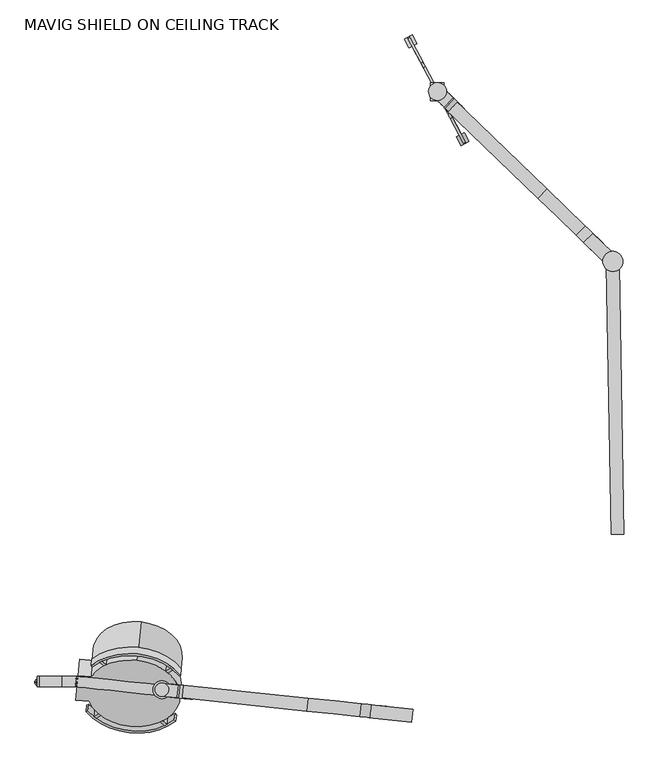
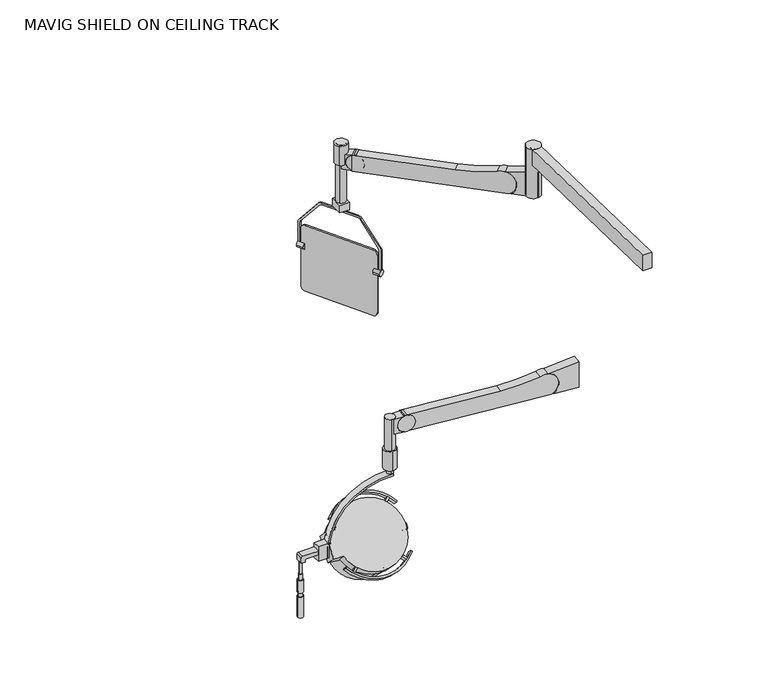
"""IFC4 building model written with IfcOpenShell, lengths in millimetres: proxy geometry, MAVIG SHIELD ON CEILING TRACK."""

from ifc_helpers import new_model, si_unit, point, frame, frame_2d, origin, place, context, project, spatial, polyline, circle_curve, ellipse_curve, trimmed, segment, composite_curve, outline, extrude, source, transform, mapped, element, save
from ifc_brep_helpers import plane_surface, cylinder_surface, revolved_surface, advanced_brep


def mavig_shield_on_ceiling_track_4b2de52b(model_context):
    return source(origin(), model_context, "Body", "SolidModel", [
        advanced_brep(
        [(-1305.6702452, -813.0394482, 1924.8121858), (-1287.8350902, -643.3492828, 2095.4370521), (-1303.2106931, -789.6383728, 2071.9070769), (-1305.4358693, -810.8095105, 1927.0544067), (-1288.0694661, -645.5792206, 2093.1948312), (-1303.0127539, -787.7551075, 2070.0134381)],
        [
            (0, 1, circle_curve(frame((-1296.7526677, -728.1943655, 2010.124619), z_axis=(-0.07391278520356967, -0.703233176253404, 0.7071067811865475), x_axis=(0.07391278520356882, 0.7032331762534039, 0.7071067811865477)), 120.65)),
            (1, 2, circle_curve(frame((-1291.6310542, -679.465468, 1850.9185502), z_axis=(0.994521895368273, -0.1045284632676576, 0.0), x_axis=(-0.10452846326765822, -0.994521895368273, 0.0)), 247.2004974)),
            (2, 0, circle_curve(frame((-1280.111102, -569.8604443, 1961.127309), z_axis=(0.9945218953682734, -0.10452846326765301, 0.0), x_axis=(0.0, 0.0, 1.0000000000000002)), 247.2004974)),
            (1, 0, circle_curve(frame((-1296.7526677, -728.1943655, 2010.124619), z_axis=(-0.07391278520356967, -0.703233176253404, 0.7071067811865475), x_axis=(0.07391278520356882, 0.7032331762534039, 0.7071067811865477)), 120.65)),
            (3, 4, circle_curve(frame((-1296.7526677, -728.1943655, 2010.124619), z_axis=(-0.07391278520356967, -0.703233176253404, 0.7071067811865475), x_axis=(0.07391278520356882, 0.7032331762534039, 0.7071067811865477)), 117.4790208)),
            (4, 1),
            (0, 3),
            (4, 3, circle_curve(frame((-1296.7526677, -728.1943655, 2010.124619), z_axis=(-0.07391278520356967, -0.703233176253404, 0.7071067811865475), x_axis=(0.07391278520356882, 0.7032331762534039, 0.7071067811865477)), 117.4790208)),
            (5, 4, circle_curve(frame((-1291.6310542, -679.465468, 1850.9185502), z_axis=(-0.994521895368273, 0.1045284632676576, 0.0), x_axis=(-0.10452846326765822, -0.994521895368273, 0.0)), 244.6604974)),
            (3, 5, circle_curve(frame((-1280.111102, -569.8604443, 1961.127309), z_axis=(-0.9945218953682734, 0.10452846326765301, 0.0), x_axis=(0.0, 0.0, 1.0000000000000002)), 244.6604974)),
        ],
        [
            revolved_surface(trimmed(ellipse_curve(frame((-1291.6310542, -679.465468, 1850.9185502), z_axis=(-0.994521895368273, 0.1045284632676576, 0.0), x_axis=(-0.10452846326765822, -0.994521895368273, 0.0)), 247.2004974, 247.2004974), [point((-1303.2106931, -789.6383728, 2071.9070769))], [point((-1287.8350902, -643.3492828, 2095.4370521))], True, "CARTESIAN"), (-1298.4359791, -744.2100033, 2026.2284753), (0.07391278520356967, 0.703233176253404, -0.7071067811865475)),
            revolved_surface(trimmed(ellipse_curve(frame((-1291.6310542, -679.465468, 1850.9185502), z_axis=(-0.9945218953682728, 0.10452846326765822, 0.0), x_axis=(-0.10452846326765881, -0.9945218953682728, 0.0)), 247.2004974, 247.2004974), [point((-1303.2106931, -789.6383728, 2071.9070769))], [point((-1287.8350902, -643.3492828, 2095.4370521))], True, "CARTESIAN"), (-1298.4359791, -744.2100033, 2026.2284753), (0.07391278520356967, 0.703233176253404, -0.7071067811865475)),
            plane_surface(frame((-1296.7526677, -728.1943655, 2010.124619), z_axis=(0.07391278520356884, 0.7032331762534041, -0.7071067811865475), x_axis=(0.07391278520356882, 0.7032331762534039, 0.7071067811865477))),
            revolved_surface(trimmed(ellipse_curve(frame((-1291.6310542, -679.465468, 1850.9185502), z_axis=(0.994521895368273, -0.1045284632676576, 0.0), x_axis=(-0.10452846326765822, -0.994521895368273, 0.0)), 244.6604974, 244.6604974), [point((-1288.0694661, -645.5792206, 2093.1948312))], [point((-1303.0127539, -787.7551075, 2070.0134381))], True, "CARTESIAN"), (-1298.4359791, -744.2100033, 2026.2284753), (0.07391278520356967, 0.703233176253404, -0.7071067811865475)),
            revolved_surface(trimmed(ellipse_curve(frame((-1291.6310542, -679.465468, 1850.9185502), z_axis=(0.9945218953682728, -0.10452846326765822, 0.0), x_axis=(-0.10452846326765881, -0.9945218953682728, 0.0)), 244.6604974, 244.6604974), [point((-1288.0694661, -645.5792206, 2093.1948312))], [point((-1303.0127539, -787.7551075, 2070.0134381))], True, "CARTESIAN"), (-1298.4359791, -744.2100033, 2026.2284753), (0.07391278520356967, 0.703233176253404, -0.7071067811865475)),
        ],
        [
            (0, [[1, 2, 3]]),
            (1, [[4, -3, -2]]),
            (2, [[5, 6, -1, 7]]),
            (2, [[8, -7, -4, -6]]),
            (3, [[9, -5, 10]]),
            (4, [[-10, -8, -9]]),
        ],
    ),
        advanced_brep(
        [(-1304.1493855, -798.5694341, 2062.9268208), (-1302.2720007, -780.7073114, 2080.8873331), (-1303.2106931, -789.6383728, 2071.9070769), (-1300.8639622, -767.3107194, 2031.4959244), (-1298.9865774, -749.4485967, 2049.4564366), (-1299.9252698, -758.3796581, 2040.4761805)],
        [
            (0, 1, circle_curve(frame((-1303.2106931, -789.6383728, 2071.9070769), z_axis=(-0.07391278520356967, -0.703233176253404, 0.7071067811865475), x_axis=(0.07391278520356882, 0.7032331762534039, 0.7071067811865477)), 12.7)),
            (1, 2),
            (2, 0),
            (1, 0, circle_curve(frame((-1303.2106931, -789.6383728, 2071.9070769), z_axis=(-0.07391278520356967, -0.703233176253404, 0.7071067811865475), x_axis=(0.07391278520356882, 0.7032331762534039, 0.7071067811865477)), 12.7)),
            (3, 4, circle_curve(frame((-1299.9252698, -758.3796581, 2040.4761805), z_axis=(-0.07391278520356967, -0.703233176253404, 0.7071067811865475), x_axis=(0.07391278520356882, 0.7032331762534039, 0.7071067811865477)), 12.7)),
            (4, 1),
            (0, 3),
            (4, 3, circle_curve(frame((-1299.9252698, -758.3796581, 2040.4761805), z_axis=(-0.07391278520356967, -0.703233176253404, 0.7071067811865475), x_axis=(0.07391278520356882, 0.7032331762534039, 0.7071067811865477)), 12.7)),
            (5, 4),
            (3, 5),
        ],
        [
            plane_surface(frame((-1303.2106931, -789.6383728, 2071.9070769), z_axis=(-0.07391278520356884, -0.7032331762534041, 0.7071067811865475), x_axis=(0.07391278520356882, 0.7032331762534039, 0.7071067811865477))),
            cylinder_surface(frame((-1298.4359791, -744.2100033, 2026.2284753), z_axis=(0.07391278520356967, 0.703233176253404, -0.7071067811865475), x_axis=(0.07391278520356882, 0.7032331762534039, 0.7071067811865477)), 12.7),
            plane_surface(frame((-1299.9252698, -758.3796581, 2040.4761805), z_axis=(0.07391278520356884, 0.7032331762534041, -0.7071067811865475), x_axis=(0.07391278520356882, 0.7032331762534039, 0.7071067811865477))),
        ],
        [
            (0, [[1, 2, 3]]),
            (0, [[4, -3, -2]]),
            (1, [[5, 6, -1, 7]]),
            (1, [[8, -7, -4, -6]]),
            (2, [[9, -5, 10]]),
            (2, [[-10, -8, -9]]),
        ],
    ),
        extrude(outline(composite_curve([segment(trimmed(circle_curve(frame_2d((0.0, -107.9499999)), 107.95), [point((0.0, 0.0))], [point((0.0, -215.8999999))], False, "CARTESIAN"), True, "CONTINUOUS"), segment(trimmed(circle_curve(frame_2d((0.0, -107.9499999)), 107.95), [point((0.0, -215.8999999))], [point((0.0, 0.0))], False, "CARTESIAN"), True, "CONTINUOUS")], self_intersect=False)), frame((-1288.141506, -648.5723395, 2082.7030132), z_axis=(-0.07391278520356517, -0.7032331762534036, 0.7071067811865482), x_axis=(0.9945218953682736, -0.10452846326765139, 0.0)), (0.0, 0.0, 1.0), 5.3086505),
        advanced_brep(
        [(-1312.1282706, -874.4834555, 1986.5946438), (-1294.2931156, -704.79329, 2157.2195101), (-1303.2106931, -789.6383728, 2071.9070769), (-1305.6702452, -813.0394482, 1924.8121858), (-1287.8350902, -643.3492828, 2095.4370521), (-1303.2106931, -789.6383728, 2071.9070769)],
        [
            (0, 1, circle_curve(frame((-1303.2106931, -789.6383728, 2071.9070769), z_axis=(-0.07391278520356967, -0.703233176253404, 0.7071067811865475), x_axis=(0.07391278520356882, 0.7032331762534039, 0.7071067811865477)), 120.65)),
            (1, 2),
            (2, 0),
            (1, 0, circle_curve(frame((-1303.2106931, -789.6383728, 2071.9070769), z_axis=(-0.07391278520356967, -0.703233176253404, 0.7071067811865475), x_axis=(0.07391278520356882, 0.7032331762534039, 0.7071067811865477)), 120.65)),
            (3, 4, circle_curve(frame((-1296.7526677, -728.1943655, 2010.124619), z_axis=(-0.07391278520356967, -0.703233176253404, 0.7071067811865475), x_axis=(0.07391278520356882, 0.7032331762534039, 0.7071067811865477)), 120.65)),
            (4, 1),
            (0, 3),
            (4, 3, circle_curve(frame((-1296.7526677, -728.1943655, 2010.124619), z_axis=(-0.07391278520356967, -0.703233176253404, 0.7071067811865475), x_axis=(0.07391278520356882, 0.7032331762534039, 0.7071067811865477)), 120.65)),
            (5, 4, circle_curve(frame((-1291.6310542, -679.465468, 1850.9185502), z_axis=(-0.994521895368273, 0.1045284632676576, 0.0), x_axis=(-0.10452846326765822, -0.994521895368273, 0.0)), 247.2004974)),
            (3, 5, circle_curve(frame((-1280.111102, -569.8604443, 1961.127309), z_axis=(-0.9945218953682734, 0.10452846326765301, 0.0), x_axis=(0.0, 0.0, 1.0000000000000002)), 247.2004974)),
        ],
        [
            plane_surface(frame((-1303.2106931, -789.6383728, 2071.9070769), z_axis=(-0.07391278520356884, -0.7032331762534041, 0.7071067811865475), x_axis=(0.07391278520356882, 0.7032331762534039, 0.7071067811865477))),
            cylinder_surface(frame((-1298.4359791, -744.2100033, 2026.2284753), z_axis=(0.07391278520356967, 0.703233176253404, -0.7071067811865475), x_axis=(0.07391278520356882, 0.7032331762534039, 0.7071067811865477)), 120.65),
            revolved_surface(trimmed(ellipse_curve(frame((-1291.6310542, -679.465468, 1850.9185502), z_axis=(0.994521895368273, -0.1045284632676576, 0.0), x_axis=(-0.10452846326765822, -0.994521895368273, 0.0)), 247.2004974, 247.2004974), [point((-1287.8350902, -643.3492828, 2095.4370521))], [point((-1303.2106931, -789.6383728, 2071.9070769))], True, "CARTESIAN"), (-1298.4359791, -744.2100033, 2026.2284753), (0.07391278520356967, 0.703233176253404, -0.7071067811865475)),
            revolved_surface(trimmed(ellipse_curve(frame((-1291.6310542, -679.465468, 1850.9185502), z_axis=(0.9945218953682728, -0.10452846326765822, 0.0), x_axis=(-0.10452846326765881, -0.9945218953682728, 0.0)), 247.2004974, 247.2004974), [point((-1287.8350902, -643.3492828, 2095.4370521))], [point((-1303.2106931, -789.6383728, 2071.9070769))], True, "CARTESIAN"), (-1298.4359791, -744.2100033, 2026.2284753), (0.07391278520356967, 0.703233176253404, -0.7071067811865475)),
        ],
        [
            (0, [[1, 2, 3]]),
            (0, [[4, -3, -2]]),
            (1, [[5, 6, -1, 7]]),
            (1, [[8, -7, -4, -6]]),
            (2, [[9, -5, 10]]),
            (3, [[-10, -8, -9]]),
        ],
    ),
        advanced_brep(
        [(-1295.0465496, -714.269441, 2175.7027611), (-1313.8203971, -892.8906677, 1996.0976387), (-1286.462425, -632.596951, 2093.5803962), (-1305.2362725, -811.2181778, 1913.9752738), (-1287.8704636, -645.993543, 2080.1100121), (-1303.8282339, -797.8215858, 1927.445658), (-1294.9919085, -713.7495658, 2148.239254), (-1310.9496789, -865.5776086, 1995.5748999)],
        [
            (0, 1, circle_curve(frame((-1304.4334733, -803.5800543, 2085.9001999), z_axis=(-0.07391278520356515, -0.7032331762534036, 0.7071067811865482), x_axis=(-0.07391278520356531, -0.7032331762534051, -0.7071067811865469)), 127.0)),
            (1, 0, circle_curve(frame((-1304.4334733, -803.5800543, 2085.9001999), z_axis=(-0.07391278520356515, -0.7032331762534036, 0.7071067811865482), x_axis=(-0.07391278520356531, -0.7032331762534051, -0.7071067811865469)), 127.0)),
            (2, 3, circle_curve(frame((-1295.8493487, -721.9075644, 2003.777835), z_axis=(0.07391278520356515, 0.7032331762534036, -0.7071067811865482), x_axis=(-0.07391278520356531, -0.7032331762534051, -0.7071067811865469)), 127.0)),
            (3, 2, circle_curve(frame((-1295.8493487, -721.9075644, 2003.777835), z_axis=(0.07391278520356515, 0.7032331762534036, -0.7071067811865482), x_axis=(-0.07391278520356531, -0.7032331762534051, -0.7071067811865469)), 127.0)),
            (4, 5, circle_curve(frame((-1295.8493487, -721.9075644, 2003.777835), z_axis=(-0.0739127852035652, -0.7032331762534038, 0.7071067811865483), x_axis=(-0.07391278520356531, -0.7032331762534051, -0.7071067811865469)), 107.95)),
            (5, 4, circle_curve(frame((-1295.8493487, -721.9075644, 2003.777835), z_axis=(-0.0739127852035652, -0.7032331762534038, 0.7071067811865483), x_axis=(-0.07391278520356531, -0.7032331762534051, -0.7071067811865469)), 107.95)),
            (0, 2),
            (3, 1),
            (6, 7, circle_curve(frame((-1302.9707937, -789.6635872, 2071.9070769), z_axis=(0.0739127852035652, 0.7032331762534038, -0.7071067811865483), x_axis=(-0.07391278520356531, -0.7032331762534051, -0.7071067811865469)), 107.95)),
            (7, 6, circle_curve(frame((-1302.9707937, -789.6635872, 2071.9070769), z_axis=(0.0739127852035652, 0.7032331762534038, -0.7071067811865483), x_axis=(-0.07391278520356531, -0.7032331762534051, -0.7071067811865469)), 107.95)),
            (7, 5),
            (4, 6),
        ],
        [
            plane_surface(frame((-1313.8203971, -892.8906677, 1996.0976387), z_axis=(-0.07391278520356517, -0.7032331762534036, 0.7071067811865483), x_axis=(0.9945218953682736, -0.10452846326765138, 0.0))),
            plane_surface(frame((-1305.2362725, -811.2181778, 1913.9752738), z_axis=(0.07391278520356517, 0.7032331762534036, -0.7071067811865483), x_axis=(-0.9945218953682736, 0.10452846326765138, 0.0))),
            cylinder_surface(frame((-1295.8493487, -721.9075644, 2003.777835), z_axis=(-0.07391278520356516, -0.7032331762534038, 0.7071067811865483), x_axis=(-0.07391278520356531, -0.7032331762534051, -0.7071067811865469)), 127.0),
            plane_surface(frame((-1310.9496789, -865.5776086, 1995.5748999), z_axis=(0.07391278520356517, 0.7032331762534036, -0.7071067811865483), x_axis=(0.9945218953682736, -0.10452846326765139, 0.0))),
            revolved_surface(polyline([(-1310.9496788260976, -865.577608598772, 1995.5748999089462), (-1303.828233862725, -797.821585776555, 1927.4456579709124)]), (-1295.8493487, -721.9075644, 2003.777835), (-0.07391278520356521, -0.7032331762534039, 0.7071067811865485)),
        ],
        [
            (0, [[1, 2]]),
            (1, [[3, 4], [5, 6]]),
            (2, [[-1, 7, -4, 8]]),
            (2, [[-2, -8, -3, -7]]),
            (3, [[9, 10]]),
            (4, [[-10, 11, -5, 12]]),
            (4, [[-9, -12, -6, -11]]),
        ],
    ),
        advanced_brep(
        [(-513.8942609, 1001.8395463, 2046.4112668), (-522.8376942, 1018.6596979, 2027.3612668), (-522.8376942, 1018.6596979, 1784.8611512), (-513.8942609, 1001.8395463, 1765.8111512), (-383.4691924, 756.5456681, 1765.8111512), (-374.5257591, 739.7255165, 1784.8611512), (-374.5257591, 739.7255165, 2027.3612668), (-383.4691924, 756.5456681, 2046.4112668), (-508.4514172, 1004.7335576, 2046.4289905), (-377.9850696, 759.3620447, 2046.4289905), (-369.0829154, 742.6195278, 2027.3612668), (-369.0829154, 742.6195278, 1784.8611512), (-378.0263487, 759.4396794, 1765.8111512), (-508.4514172, 1004.7335576, 1765.8111512), (-517.3948505, 1021.5537092, 1784.8611512), (-517.3948505, 1021.5537092, 2027.3612668)],
        [
            (0, 1, circle_curve(frame((-513.8942609, 1001.8395463, 2027.3612668), z_axis=(-0.8829475928589281, -0.4694715627858887, 0.0), x_axis=(0.4694715627858887, -0.8829475928589281, 0.0)), 19.05)),
            (1, 2),
            (2, 3, circle_curve(frame((-513.8942609, 1001.8395463, 1784.8611512), z_axis=(-0.8829475928589281, -0.4694715627858887, 0.0), x_axis=(0.4694715627858887, -0.8829475928589281, 0.0)), 19.05)),
            (3, 4),
            (4, 5, circle_curve(frame((-383.4691924, 756.5456681, 1784.8611512), z_axis=(-0.8829475928589281, -0.4694715627858887, 0.0), x_axis=(0.4694715627858887, -0.8829475928589281, 0.0)), 19.05)),
            (5, 6),
            (6, 7, circle_curve(frame((-383.4691924, 756.5456681, 2027.3612668), z_axis=(-0.8829475928589281, -0.4694715627858887, 0.0), x_axis=(0.4694715627858887, -0.8829475928589281, 0.0)), 19.05)),
            (7, 0),
            (8, 9),
            (9, 10, circle_curve(frame((-378.0263487, 759.4396794, 2027.3612668), z_axis=(0.8829475928589281, 0.4694715627858887, 0.0), x_axis=(0.4694715627858887, -0.8829475928589281, 0.0)), 19.05)),
            (10, 11),
            (11, 12, circle_curve(frame((-378.0263487, 759.4396794, 1784.8611512), z_axis=(0.8829475928589281, 0.4694715627858887, 0.0), x_axis=(0.4694715627858887, -0.8829475928589281, 0.0)), 19.05)),
            (12, 13),
            (13, 14, circle_curve(frame((-508.4514172, 1004.7335576, 1784.8611512), z_axis=(0.8829475928589281, 0.4694715627858887, 0.0), x_axis=(0.4694715627858887, -0.8829475928589281, 0.0)), 19.05)),
            (14, 15),
            (15, 8, circle_curve(frame((-508.4514172, 1004.7335576, 2027.3612668), z_axis=(0.8829475928589281, 0.4694715627858887, 0.0), x_axis=(0.4694715627858887, -0.8829475928589281, 0.0)), 19.05)),
            (1, 15),
            (14, 2),
            (3, 13),
            (12, 4),
            (7, 9),
            (8, 0),
            (11, 5),
            (10, 6),
        ],
        [
            plane_surface(frame((-504.9508276, 985.0193946, 2027.3612668), z_axis=(-0.8829475928589281, -0.4694715627858887, 0.0), x_axis=(0.0, 0.0, 1.0))),
            plane_surface(frame((-499.507984, 987.9134059, 2027.3612668), z_axis=(0.8829475928589281, 0.4694715627858887, 0.0), x_axis=(0.0, 0.0, -1.0))),
            plane_surface(frame((-522.8376942, 1018.6596979, 2027.3612668), z_axis=(-0.46947156278589225, 0.8829475928589262, 0.0), x_axis=(0.8829475928589262, 0.46947156278589225, 0.0))),
            plane_surface(frame((-513.8942609, 1001.8395463, 1765.8111512), z_axis=(0.0, 0.0, -1.0000000000000002), x_axis=(0.8829475928589262, 0.46947156278589225, 0.0))),
            plane_surface(frame((-383.4279132, 756.4680334, 2046.4289905), z_axis=(0.0, 0.0, 1.0000000000000002), x_axis=(0.8829475928589262, 0.46947156278589225, 0.0))),
            cylinder_surface(frame((-508.4514172, 1004.7335576, 2027.3612668), z_axis=(-0.8829475928589281, -0.4694715627858887, 0.0), x_axis=(0.4694715627858887, -0.8829475928589281, 0.0)), 19.05),
            cylinder_surface(frame((-508.4514172, 1004.7335576, 1784.8611512), z_axis=(-0.8829475928589281, -0.4694715627858887, 0.0), x_axis=(0.4694715627858887, -0.8829475928589281, 0.0)), 19.05),
            cylinder_surface(frame((-378.0263487, 759.4396794, 1784.8611512), z_axis=(-0.8829475928589281, -0.4694715627858887, 0.0), x_axis=(0.4694715627858887, -0.8829475928589281, 0.0)), 19.05),
            plane_surface(frame((-374.5257591, 739.7255165, 1784.8611512), z_axis=(0.46947156278589225, -0.8829475928589262, 0.0), x_axis=(0.8829475928589262, 0.46947156278589225, 0.0))),
            cylinder_surface(frame((-378.0263487, 759.4396794, 2027.3612668), z_axis=(-0.8829475928589281, -0.4694715627858887, 0.0), x_axis=(0.4694715627858887, -0.8829475928589281, 0.0)), 19.05),
        ],
        [
            (0, [[1, 2, 3, 4, 5, 6, 7, 8]]),
            (1, [[9, 10, 11, 12, 13, 14, 15, 16]]),
            (2, [[-2, 17, -15, 18]]),
            (3, [[-4, 19, -13, 20]]),
            (4, [[-8, 21, -9, 22]]),
            (5, [[-1, -22, -16, -17]]),
            (6, [[-3, -18, -14, -19]]),
            (7, [[-5, -20, -12, 23]]),
            (8, [[-6, -23, -11, 24]]),
            (9, [[-7, -24, -10, -21]]),
        ],
    ),
        extrude(outline(composite_curve([segment(trimmed(circle_curve(frame_2d((0.0, -12.7)), 12.7), [point((0.0, -25.4))], [point((0.0, 0.0))], False, "CARTESIAN"), True, "CONTINUOUS"), segment(trimmed(circle_curve(frame_2d((0.0, -12.7)), 12.7), [point((0.0, 0.0))], [point((0.0, -25.4))], False, "CARTESIAN"), True, "CONTINUOUS")], self_intersect=False)), frame((-523.812155, 1000.15818, 1957.1110612), z_axis=(-0.46947156278589297, 0.8829475928589258, 0.0), x_axis=(0.0, 0.0, -1.0)), (0.0, 0.0, 1.0), 27.7312661),
        extrude(outline(composite_curve([segment(trimmed(circle_curve(frame_2d((0.0, -12.7)), 12.7), [point((0.0, -25.3999999))], [point((0.0, 0.0))], False, "CARTESIAN"), True, "CONTINUOUS"), segment(trimmed(circle_curve(frame_2d((0.0, -12.7)), 12.7), [point((0.0, 0.0))], [point((0.0, -25.3999999))], False, "CARTESIAN"), True, "CONTINUOUS")], self_intersect=False)), frame((-375.9280269, 722.0285866, 1957.1110612), z_axis=(-0.4694715627858873, 0.8829475928589289, 0.0), x_axis=(0.0, 0.0, -1.0)), (0.0, 0.0, 1.0), 27.7312661),
        extrude(outline(polyline([(-462.8551233, 850.0746977), (-462.8551233, 900.8746977), (-423.7336203, 900.8746977), (-423.7336203, 850.0746977), (-462.8551233, 850.0746977)])), frame((0.0, 0.0, 2174.6956266), z_axis=(0.0, 0.0, 1.0), x_axis=(1.0, 0.0, 0.0)), (0.0, 0.0, 1.0), 31.75),
        extrude(outline(composite_curve([segment(trimmed(circle_curve(frame_2d((0.0, -20.2693963)), 20.2693964), [point((12.7168685, -4.4855538))], [point((20.2693964, -20.2693963))], False, "CARTESIAN"), True, "CONTINUOUS"), segment(polyline([(20.2693964, -20.2693963), (20.2693964, -168.0406938)]), True, "CONTINUOUS"), segment(trimmed(circle_curve(frame_2d((0.0, -168.0406938)), 20.2693964), [point((20.2693964, -168.0406938))], [point((11.9140523, -184.4389799))], False, "CARTESIAN"), True, "CONTINUOUS"), segment(polyline([(11.9140523, -184.4389799), (-84.9796948, -262.5366206)]), True, "CONTINUOUS"), segment(trimmed(circle_curve(frame_2d((-92.4638155, -253.4593625)), 11.7647217), [point((-84.9796948, -262.5366206))], [point((-92.3622355, -265.2236457))], False, "CARTESIAN"), True, "CONTINUOUS"), segment(polyline([(-92.3622355, -265.2236457), (-177.1978944, -265.2236457), (-177.1978944, -256.6369988), (-94.1751587, -256.6369988)]), True, "CONTINUOUS"), segment(trimmed(circle_curve(frame_2d((-93.8125497, -246.9819184)), 9.661887), [point((-94.1751587, -256.6369988))], [point((-87.7322164, -254.4906872))], True, "CARTESIAN"), True, "CONTINUOUS"), segment(polyline([(-87.7322164, -254.4906872), (11.0847239, -174.4722513)]), True, "CONTINUOUS"), segment(trimmed(circle_curve(frame_2d((6.5642061, -168.8897411)), 7.1832793), [point((11.0847239, -174.4722513))], [point((13.7470195, -168.9715488))], True, "CARTESIAN"), True, "CONTINUOUS"), segment(polyline([(13.7470195, -168.9715488), (13.7470195, -15.1713537)]), True, "CONTINUOUS"), segment(trimmed(circle_curve(frame_2d((6.5642061, -15.2531615)), 7.1832793), [point((13.7470195, -15.1713537))], [point((10.9381038, -9.555046))], True, "CARTESIAN"), True, "CONTINUOUS"), segment(polyline([(10.9381038, -9.555046), (-87.9294285, 66.3360918)]), True, "CONTINUOUS"), segment(trimmed(circle_curve(frame_2d((-93.8125501, 58.6718279)), 9.661887), [point((-87.9294285, 66.3360918))], [point((-91.9442248, 68.1513543))], True, "CARTESIAN"), True, "CONTINUOUS"), segment(polyline([(-91.9442248, 68.1513543), (-177.1978944, 68.1513543), (-177.1978944, 76.9135556), (-92.3623126, 76.9135556)]), True, "CONTINUOUS"), segment(trimmed(circle_curve(frame_2d((-92.463816, 65.1492718)), 11.7647217), [point((-92.3623126, 76.9135556))], [point((-85.0827171, 74.3104975))], False, "CARTESIAN"), True, "CONTINUOUS"), segment(polyline([(-85.0827171, 74.3104975), (12.7168685, -4.4855538)]), True, "CONTINUOUS")], self_intersect=False)), frame((-403.6078411, 794.4209579, 2146.9059978), z_axis=(0.8829475928589281, 0.4694715627858887, 0.0), x_axis=(0.0, 0.0, 1.0)), (0.0, 0.0, 1.0), 6.1644017),
        advanced_brep(
        [(-1584.208122, -803.9443314, 2028.4513735), (-1570.1467767, -803.9443314, 2028.4513735), (-1571.9428855, -803.9443314, 2028.4513735), (-1582.4120132, -803.9443314, 2028.4513735), (-1584.208122, -803.9443314, 2003.0513735), (-1570.1467767, -803.9443314, 2003.0513735), (-1587.8930744, -803.9443314, 2003.0513735), (-1566.4618244, -803.9443314, 2003.0513735), (-1587.8930744, -803.9443314, 1949.888952), (-1566.4618244, -803.9443314, 1949.888952), (-1585.7004757, -803.9443314, 1933.2013735), (-1568.654423, -803.9443314, 1933.2013735), (-1568.654423, -803.9443314, 1949.888952), (-1585.7004757, -803.9443314, 1949.888952), (-1588.2899494, -803.9443314, 1933.2013735), (-1566.0649494, -803.9443314, 1933.2013735), (-1588.2899494, -803.9443314, 1844.3013735), (-1566.0649494, -803.9443314, 1844.3013735), (-1577.1774494, -803.9443314, 1844.3013735), (-1582.4120132, -803.9443314, 2079.2513735), (-1571.9428855, -803.9443314, 2079.2513735), (-1577.1774494, -803.9443314, 2079.2513735)],
        [
            (0, 1, circle_curve(frame((-1577.1774494, -803.9443314, 2028.4513735), z_axis=(0.0, 0.0, 1.0), x_axis=(1.0, 0.0, 0.0)), 7.0306726)),
            (1, 2),
            (2, 3, circle_curve(frame((-1577.1774494, -803.9443314, 2028.4513735), z_axis=(0.0, 0.0, -1.0), x_axis=(1.0, 0.0, 0.0)), 5.2345639)),
            (3, 0),
            (1, 0, circle_curve(frame((-1577.1774494, -803.9443314, 2028.4513735), z_axis=(0.0, 0.0, 1.0), x_axis=(1.0, 0.0, 0.0)), 7.0306726)),
            (3, 2, circle_curve(frame((-1577.1774494, -803.9443314, 2028.4513735), z_axis=(0.0, 0.0, -1.0), x_axis=(1.0, 0.0, 0.0)), 5.2345639)),
            (4, 5, circle_curve(frame((-1577.1774494, -803.9443314, 2003.0513735), z_axis=(0.0, 0.0, 1.0), x_axis=(1.0, 0.0, 0.0)), 7.0306726)),
            (5, 1),
            (0, 4),
            (5, 4, circle_curve(frame((-1577.1774494, -803.9443314, 2003.0513735), z_axis=(0.0, 0.0, 1.0), x_axis=(1.0, 0.0, 0.0)), 7.0306726)),
            (6, 7, circle_curve(frame((-1577.1774494, -803.9443314, 2003.0513735), z_axis=(0.0, 0.0, 1.0), x_axis=(1.0, 0.0, 0.0)), 10.715625)),
            (7, 5),
            (4, 6),
            (7, 6, circle_curve(frame((-1577.1774494, -803.9443314, 2003.0513735), z_axis=(0.0, 0.0, 1.0), x_axis=(1.0, 0.0, 0.0)), 10.715625)),
            (8, 9, circle_curve(frame((-1577.1774494, -803.9443314, 1949.888952), z_axis=(0.0, 0.0, 1.0), x_axis=(1.0, 0.0, 0.0)), 10.715625)),
            (9, 7),
            (6, 8),
            (9, 8, circle_curve(frame((-1577.1774494, -803.9443314, 1949.888952), z_axis=(0.0, 0.0, 1.0), x_axis=(1.0, 0.0, 0.0)), 10.715625)),
            (10, 11, circle_curve(frame((-1577.1774494, -803.9443314, 1933.2013735), z_axis=(0.0, 0.0, 1.0), x_axis=(1.0, 0.0, 0.0)), 8.5230263)),
            (11, 12),
            (12, 13, circle_curve(frame((-1577.1774494, -803.9443314, 1949.888952), z_axis=(0.0, 0.0, -1.0), x_axis=(1.0, 0.0, 0.0)), 8.5230263)),
            (13, 10),
            (11, 10, circle_curve(frame((-1577.1774494, -803.9443314, 1933.2013735), z_axis=(0.0, 0.0, 1.0), x_axis=(1.0, 0.0, 0.0)), 8.5230263)),
            (13, 12, circle_curve(frame((-1577.1774494, -803.9443314, 1949.888952), z_axis=(0.0, 0.0, -1.0), x_axis=(1.0, 0.0, 0.0)), 8.5230263)),
            (14, 15, circle_curve(frame((-1577.1774494, -803.9443314, 1933.2013735), z_axis=(0.0, 0.0, 1.0), x_axis=(1.0, 0.0, 0.0)), 11.1125)),
            (15, 11),
            (10, 14),
            (15, 14, circle_curve(frame((-1577.1774494, -803.9443314, 1933.2013735), z_axis=(0.0, 0.0, 1.0), x_axis=(1.0, 0.0, 0.0)), 11.1125)),
            (16, 17, circle_curve(frame((-1577.1774494, -803.9443314, 1844.3013735), z_axis=(0.0, 0.0, 1.0), x_axis=(1.0, 0.0, 0.0)), 11.1125)),
            (17, 15),
            (14, 16),
            (17, 16, circle_curve(frame((-1577.1774494, -803.9443314, 1844.3013735), z_axis=(0.0, 0.0, 1.0), x_axis=(1.0, 0.0, 0.0)), 11.1125)),
            (18, 17),
            (16, 18),
            (19, 20, circle_curve(frame((-1577.1774494, -803.9443314, 2079.2513735), z_axis=(0.0, 0.0, 1.0), x_axis=(1.0, 0.0, 0.0)), 5.2345639)),
            (20, 21),
            (21, 19),
            (20, 19, circle_curve(frame((-1577.1774494, -803.9443314, 2079.2513735), z_axis=(0.0, 0.0, 1.0), x_axis=(1.0, 0.0, 0.0)), 5.2345639)),
            (2, 20),
            (19, 3),
            (12, 9),
            (8, 13),
        ],
        [
            plane_surface(frame((-1577.1774494, -803.9443314, 2028.4513735), z_axis=(0.0, 0.0, 1.0), x_axis=(1.0, 0.0, 0.0))),
            cylinder_surface(frame((-1577.1774494, -803.9443314, 2079.2513735), z_axis=(0.0, 0.0, -1.0), x_axis=(1.0, 0.0, 0.0)), 7.0306726),
            plane_surface(frame((-1577.1774494, -803.9443314, 2003.0513735), z_axis=(0.0, 0.0, 1.0), x_axis=(1.0, 0.0, 0.0))),
            cylinder_surface(frame((-1577.1774494, -803.9443314, 2079.2513735), z_axis=(0.0, 0.0, -1.0), x_axis=(1.0, 0.0, 0.0)), 10.715625),
            cylinder_surface(frame((-1577.1774494, -803.9443314, 2079.2513735), z_axis=(0.0, 0.0, -1.0), x_axis=(1.0, 0.0, 0.0)), 8.5230263),
            plane_surface(frame((-1577.1774494, -803.9443314, 1933.2013735), z_axis=(0.0, 0.0, 1.0), x_axis=(1.0, 0.0, 0.0))),
            cylinder_surface(frame((-1577.1774494, -803.9443314, 2079.2513735), z_axis=(0.0, 0.0, -1.0), x_axis=(1.0, 0.0, 0.0)), 11.1125),
            plane_surface(frame((-1577.1774494, -803.9443314, 1844.3013735), z_axis=(0.0, 0.0, -1.0), x_axis=(1.0, 0.0, 0.0))),
            plane_surface(frame((-1577.1774494, -803.9443314, 2079.2513735), z_axis=(0.0, 0.0, 1.0), x_axis=(1.0, 0.0, 0.0))),
            cylinder_surface(frame((-1577.1774494, -803.9443314, 2079.2513735), z_axis=(0.0, 0.0, -1.0), x_axis=(1.0, 0.0, 0.0)), 5.2345639),
            plane_surface(frame((-1577.1774494, -803.9443314, 1949.888952), z_axis=(0.0, 0.0, -1.0), x_axis=(1.0, 0.0, 0.0))),
        ],
        [
            (0, [[1, 2, 3, 4]]),
            (0, [[5, -4, 6, -2]]),
            (1, [[7, 8, -1, 9]]),
            (1, [[10, -9, -5, -8]]),
            (2, [[11, 12, -7, 13]]),
            (2, [[14, -13, -10, -12]]),
            (3, [[15, 16, -11, 17]]),
            (3, [[18, -17, -14, -16]]),
            (4, [[19, 20, 21, 22]]),
            (4, [[23, -22, 24, -20]]),
            (5, [[25, 26, -19, 27]]),
            (5, [[28, -27, -23, -26]]),
            (6, [[29, 30, -25, 31]]),
            (6, [[32, -31, -28, -30]]),
            (7, [[33, -29, 34]]),
            (7, [[-34, -32, -33]]),
            (8, [[35, 36, 37]]),
            (8, [[38, -37, -36]]),
            (9, [[-3, 39, -35, 40]]),
            (9, [[-6, -40, -38, -39]]),
            (10, [[-21, 41, -15, 42]]),
            (10, [[-24, -42, -18, -41]]),
        ],
    ),
        extrude(outline(composite_curve([segment(polyline([(2091.9513735, -1560.3619797), (2091.9513735, -1511.2210105), (2107.0326235, -1511.2210105), (2107.0326235, -1574.7210105)]), True, "CONTINUOUS"), segment(trimmed(circle_curve(frame_2d((2100.6826235, -1574.7210105)), 6.35), [point((2107.0326235, -1574.7210105))], [point((2100.6826235, -1581.0710105))], False, "CARTESIAN"), True, "CONTINUOUS"), segment(polyline([(2100.6826235, -1581.0710105), (2079.2513735, -1581.0710105), (2079.2513735, -1565.9897605), (2086.3235927, -1565.9897605)]), True, "CONTINUOUS"), segment(trimmed(circle_curve(frame_2d((2086.3235927, -1560.3619797)), 5.6277808), [point((2086.3235927, -1565.9897605))], [point((2091.9513735, -1560.3619797))], True, "CARTESIAN"), True, "CONTINUOUS")], self_intersect=False)), frame((0.0, -816.7454978, 0.0), z_axis=(0.0, 1.0, 0.0), x_axis=(0.0, 0.0, 1.0)), (0.0, 0.0, 1.0), 30.2616651),
        extrude(outline(polyline([(-1511.2210105, -816.7454978), (-1511.2210105, -786.4838327), (-1461.9484859, -786.4838327), (-1461.9484859, -816.7454978), (-1511.2210105, -816.7454978)])), frame((0.0, 0.0, 2063.0952448), z_axis=(0.0, 0.0, 1.0), x_axis=(1.0, 0.0, 0.0)), (0.0, 0.0, 1.0), 62.4747574),
        extrude(outline(composite_curve([segment(trimmed(circle_curve(frame_2d((-442.6627669, 875.4746977)), 25.4), [point((-425.0184443, 893.7459287))], [point((-460.3070895, 857.2034668))], False, "CARTESIAN"), True, "CONTINUOUS"), segment(trimmed(circle_curve(frame_2d((-442.6627669, 875.4746977)), 25.4), [point((-460.3070895, 857.2034668))], [point((-425.0184443, 893.7459287))], False, "CARTESIAN"), True, "CONTINUOUS")], self_intersect=False)), frame((0.0, 0.0, 2372.395801), z_axis=(0.0, 0.0, 1.0), x_axis=(1.0, 0.0, 0.0)), (0.0, 0.0, 1.0), 81.4023591),
        extrude(outline(composite_curve([segment(trimmed(circle_curve(frame_2d((-442.6627669, 875.4746977)), 19.05), [point((-429.4295249, 889.1781209))], [point((-455.8960088, 861.7712745))], False, "CARTESIAN"), True, "CONTINUOUS"), segment(trimmed(circle_curve(frame_2d((-442.6627669, 875.4746977)), 19.05), [point((-455.8960088, 861.7712745))], [point((-429.4295249, 889.1781209))], False, "CARTESIAN"), True, "CONTINUOUS")], self_intersect=False)), frame((0.0, 0.0, 2206.4456266), z_axis=(0.0, 0.0, 1.0), x_axis=(1.0, 0.0, 0.0)), (0.0, 0.0, 1.0), 247.3525334),
        extrude(outline(composite_curve([segment(trimmed(circle_curve(frame_2d((7.3880479, -33.469286)), 34.2750106), [point((0.0, 0.0))], [point((0.0, -66.9385719))], True, "CARTESIAN"), True, "CONTINUOUS"), segment(polyline([(0.0, -66.9385719), (-47.5884878, -62.7751187), (-47.5884878, 0.0), (0.0, 0.0)]), True, "CONTINUOUS")], self_intersect=False)), frame((-421.1952184, 829.1986761, 2352.5500689), z_axis=(0.6946583704590021, 0.7193398003386466, 0.0), x_axis=(0.7193398003386466, -0.6946583704590021, 0.0)), (0.0, 0.0, 1.0), 36.7511439),
        extrude(outline(composite_curve([segment(trimmed(circle_curve(frame_2d((0.0, -34.2750106)), 34.2750106), [point((0.0, -68.5500212))], [point((0.0, 0.0))], False, "CARTESIAN"), True, "CONTINUOUS"), segment(trimmed(circle_curve(frame_2d((0.0, -34.2750106)), 34.2750106), [point((0.0, 0.0))], [point((0.0, -68.5500212))], False, "CARTESIAN"), True, "CONTINUOUS")], self_intersect=False)), frame((-391.2253222, 800.2570838, 2386.0193549), z_axis=(0.6946583704590019, 0.7193398003386466, 0.0), x_axis=(0.0, 0.0, 1.0)), (0.0, 0.0, 1.0), 36.7511439),
        extrude(outline(composite_curve([segment(polyline([(41.2242612, 21.6592667), (41.2242612, -76.3924791), (-68.2721908, -76.3924791), (-49.8465036, 45.4330266)]), True, "CONTINUOUS"), segment(trimmed(circle_curve(frame_2d((0.0, 50.0608718)), 50.0608717), [point((-49.8465036, 45.4330266))], [point((41.2242612, 21.6592667))], True, "CARTESIAN"), True, "CONTINUOUS")], self_intersect=False)), frame((4.1685268, 416.7737102, 2392.9338142), z_axis=(0.694658370459002, 0.7193398003386466, 0.0), x_axis=(0.0, 0.0, -1.0)), (0.0, 0.0, 1.0), 36.7511439),
        extrude(outline(composite_curve([segment(polyline([(710.5492114, 698.8665187), (710.5492114, 1069.9138415), (779.1688151, 1069.9138415), (779.1688151, 503.4843296)]), True, "CONTINUOUS"), segment(trimmed(circle_curve(frame_2d((735.4529793, 525.329056)), 48.8698923), [point((779.1688151, 503.4843296))], [point((691.4514506, 546.5924483))], False, "CARTESIAN"), True, "CONTINUOUS"), segment(trimmed(circle_curve(frame_2d((0.0, 710.6468589)), 710.646859), [point((691.4514506, 546.5924483))], [point((710.5492114, 698.8665187))], True, "CARTESIAN"), True, "CONTINUOUS")], self_intersect=False)), frame((345.8979888, 86.7694047, 3130.8783681), z_axis=(0.694658370459002, 0.7193398003386466, 0.0), x_axis=(0.0, 0.0, -1.0)), (0.0, 0.0, 1.0), 36.7511439),
        extrude(outline(composite_curve([segment(trimmed(circle_curve(frame_2d((56.1712971, 392.7134114)), 28.5779075), [point((84.744852, 393.2121647))], [point((27.5977422, 392.2146582))], False, "CARTESIAN"), True, "CONTINUOUS"), segment(trimmed(circle_curve(frame_2d((56.1712971, 392.7134114)), 28.5779075), [point((27.5977422, 392.2146582))], [point((84.744852, 393.2121647))], False, "CARTESIAN"), True, "CONTINUOUS")], self_intersect=False)), frame((0.0, 0.0, 2351.709553), z_axis=(0.0, 0.0, 1.0), x_axis=(1.0, 0.0, 0.0)), (0.0, 0.0, 1.0), 209.55),
        extrude(outline(polyline([(74.6698141, 382.3327244), (88.0328342, -383.2341812), (51.2872877, -383.8755771), (37.9242676, 381.6913285), (74.6698141, 382.3327244)])), frame((0.0, 0.0, 2495.4957127), z_axis=(0.0, 0.0, 1.0), x_axis=(1.0, 0.0, 0.0)), (0.0, 0.0, 1.0), 65.7638403),
        advanced_brep(
        [(-1317.8816643, -929.2233402, 2024.6636825), (-1298.1691245, -741.6710521, 2213.2490611), (-1428.2554124, -788.7568776, 2152.8234568), (-1465.1524714, -784.8788405, 2152.8234568), (-1472.4793898, -854.5898129, 2082.7284969), (-1434.2528075, -858.6075886, 2082.7284969), (-1294.7654582, -709.2873306, 2180.686961), (-1314.4779981, -896.8396187, 1992.1015825), (-1430.8491412, -826.2238671, 2050.1663968), (-1426.4836842, -826.6826951, 2050.1663968), (-1419.1567657, -756.9717227, 2120.2613567), (-1424.8517461, -756.3731562, 2120.2613567), (-1417.6940861, -743.0552556, 2106.2682338), (-1460.2861254, -738.5786518, 2106.2682338), (-1467.6130439, -808.2896242, 2036.1732739), (-1425.0210045, -812.766228, 2036.1732739)],
        [
            (0, 1, circle_curve(frame((-1308.0253944, -835.4471961, 2118.9563718), z_axis=(-0.07391278520356515, -0.7032331762534036, 0.7071067811865482), x_axis=(-0.07391278520356531, -0.7032331762534051, -0.7071067811865469)), 133.35)),
            (1, 2, circle_curve(frame((-1308.0253944, -835.4471961, 2118.9563718), z_axis=(-0.07391278520356515, -0.7032331762534036, 0.7071067811865482), x_axis=(-0.07391278520356531, -0.7032331762534051, -0.7071067811865469)), 133.35)),
            (2, 3),
            (3, 4),
            (4, 5),
            (5, 0, circle_curve(frame((-1308.0253944, -835.4471961, 2118.9563718), z_axis=(-0.07391278520356515, -0.7032331762534036, 0.7071067811865482), x_axis=(-0.07391278520356531, -0.7032331762534051, -0.7071067811865469)), 133.35)),
            (6, 7, circle_curve(frame((-1304.6217282, -803.0634746, 2086.3942717), z_axis=(0.07391278520356515, 0.7032331762534036, -0.7071067811865482), x_axis=(-0.07391278520356531, -0.7032331762534051, -0.7071067811865469)), 133.35)),
            (7, 8, circle_curve(frame((-1304.6217282, -803.0634746, 2086.3942717), z_axis=(0.07391278520356515, 0.7032331762534036, -0.7071067811865482), x_axis=(-0.07391278520356531, -0.7032331762534051, -0.7071067811865469)), 133.35)),
            (8, 9),
            (9, 10),
            (10, 11),
            (11, 6, circle_curve(frame((-1304.6217282, -803.0634746, 2086.3942717), z_axis=(0.07391278520356515, 0.7032331762534036, -0.7071067811865482), x_axis=(-0.07391278520356531, -0.7032331762534051, -0.7071067811865469)), 133.35)),
            (1, 6),
            (11, 2),
            (7, 0),
            (5, 8),
            (12, 13),
            (13, 3),
            (10, 12),
            (4, 14),
            (14, 15),
            (15, 9),
            (12, 15),
            (14, 13),
        ],
        [
            plane_surface(frame((-1317.8816643, -929.2233402, 2024.6636825), z_axis=(-0.07391278520356521, -0.7032331762534038, 0.7071067811865483), x_axis=(0.9945218953682736, -0.1045284632676514, 0.0))),
            plane_surface(frame((-1314.4779981, -896.8396187, 1992.1015825), z_axis=(0.07391278520356521, 0.7032331762534038, -0.7071067811865483), x_axis=(-0.9945218953682736, 0.1045284632676514, 0.0))),
            cylinder_surface(frame((-1304.6217282, -803.0634746, 2086.3942717), z_axis=(-0.07391278520356516, -0.7032331762534038, 0.7071067811865483), x_axis=(-0.07391278520356531, -0.7032331762534051, -0.7071067811865469)), 133.35),
            plane_surface(frame((-1460.2861254, -738.5786518, 2106.2682338), z_axis=(0.07391278520356691, 0.703233176253405, 0.7071067811865469), x_axis=(-0.9945218953682736, 0.10452846326765093, 0.0))),
            plane_surface(frame((-1467.6130439, -808.2896242, 2036.1732739), z_axis=(-0.07391278520356691, -0.703233176253405, -0.7071067811865469), x_axis=(0.9945218953682736, -0.10452846326765093, 0.0))),
            plane_surface(frame((-1417.6940861, -743.0552556, 2106.2682338), z_axis=(0.07391278520356293, 0.7032331762534036, -0.7071067811865488), x_axis=(-0.07391278520356726, -0.7032331762534053, -0.7071067811865465))),
            plane_surface(frame((-1460.2861254, -738.5786518, 2106.2682338), z_axis=(-0.9945218953682737, 0.104528463267651, 0.0), x_axis=(-0.07391278520356726, -0.7032331762534053, -0.7071067811865465))),
            plane_surface(frame((-1422.560432, -789.3554442, 2152.8234568), z_axis=(0.9945218953682737, -0.104528463267651, 0.0), x_axis=(-0.07391278520356726, -0.7032331762534053, -0.7071067811865465))),
        ],
        [
            (0, [[1, 2, 3, 4, 5, 6]]),
            (1, [[7, 8, 9, 10, 11, 12]]),
            (2, [[13, -12, 14, -2]]),
            (2, [[15, -6, 16, -8]]),
            (2, [[-1, -15, -7, -13]]),
            (3, [[17, 18, -3, -14, -11, 19]]),
            (4, [[20, 21, 22, -9, -16, -5]]),
            (5, [[-17, 23, -21, 24]]),
            (6, [[-18, -24, -20, -4]]),
            (7, [[-23, -19, -10, -22]]),
        ],
    ),
        extrude(outline(composite_curve([segment(trimmed(circle_curve(frame_2d((0.0, -12.7)), 12.7), [point((1e-07, -25.4))], [point((0.0, 0.0))], False, "CARTESIAN"), True, "CONTINUOUS"), segment(trimmed(circle_curve(frame_2d((0.0, -12.7)), 12.7), [point((0.0, 0.0))], [point((1e-07, -25.4))], False, "CARTESIAN"), True, "CONTINUOUS")], self_intersect=False)), frame((-1165.9192325, -824.4571923, 2113.3546941), z_axis=(-0.9945218953682732, 0.10452846326765453, 0.0), x_axis=(-0.07391278520356735, -0.7032331762534035, 0.7071067811865482)), (0.0, 0.0, 1.0), 16.4565188),
        extrude(outline(polyline([(0.0, 0.0), (3.1250724, -17.7231666), (-4.9953789, -19.1550213), (-8.372926, 0.0), (0.0, 0.0)])), frame((-1389.929605, -739.1713865, 2168.9296226), z_axis=(-0.07391278520356503, -0.7032331762534039, 0.7071067811865481), x_axis=(-0.857059275618917, -0.3177332747871823, -0.4055797876726481)), (0.0, 0.0, 1.0), 26.3141506),
        extrude(outline(polyline([(18.498546, 1e-07), (19.9524894, -8.2457224), (0.501971, -8.2457224), (0.501971, 0.0), (18.498546, 1e-07)])), frame((-1193.9185175, -750.4727613, 2178.1788956), z_axis=(-0.07391278520356509, -0.7032331762534036, 0.7071067811865483), x_axis=(-0.7554974078872302, -0.423348162480572, -0.49999999999999944)), (0.0, 0.0, 1.0), 26.3141506),
        extrude(outline(composite_curve([segment(polyline([(128.2125306, -66.0776604), (123.7224025, -70.5677884)]), True, "CONTINUOUS"), segment(trimmed(circle_curve(frame_2d((0.0, -160.9109814)), 153.1963621), [point((123.7224025, -70.5677884))], [point((-123.7224025, -70.5677884))], True, "CARTESIAN"), True, "CONTINUOUS"), segment(polyline([(-123.7224025, -70.5677884), (-128.2125305, -66.0776604)]), True, "CONTINUOUS"), segment(trimmed(circle_curve(frame_2d((0.0, -157.4262018)), 157.4262018), [point((-128.2125305, -66.0776604))], [point((128.2125306, -66.0776604))], False, "CARTESIAN"), True, "CONTINUOUS")], self_intersect=False)), frame((-1294.324643, -705.0932536, 2212.8145116), z_axis=(-0.0739127852035651, -0.7032331762534036, 0.7071067811865482), x_axis=(0.9945218953682736, -0.10452846326765133, 0.0)), (0.0, 0.0, 1.0), 26.3141506),
        extrude(outline(polyline([(18.4985461, 0.0), (19.9524893, -8.2457224), (0.5019711, -8.2457224), (0.501971, 0.0), (18.4985461, 0.0)])), frame((-1418.2423671, -883.4116635, 2022.5200194), z_axis=(-0.07391278520356505, -0.7032331762534038, 0.7071067811865482), x_axis=(0.7554974078872312, 0.42334816248057117, 0.4999999999999987)), (0.0, 0.0, 1.0), 26.3141506),
        extrude(outline(polyline([(0.0, 0.0), (3.1250724, -17.7231666), (-4.9953789, -19.1550212), (-8.3729259, 0.0), (0.0, 0.0)])), frame((-1222.2312796, -894.7130384, 2031.7692924), z_axis=(-0.07391278520356527, -0.7032331762534036, 0.7071067811865482), x_axis=(0.8570592756189218, 0.3177332747871762, 0.40557978767264263)), (0.0, 0.0, 1.0), 26.3141506),
        extrude(outline(composite_curve([segment(trimmed(circle_curve(frame_2d((-129.8531229, -26.0667767)), 157.4262018), [point((25.3999999, -1e-07))], [point((-155.9198996, -181.3198996))], False, "CARTESIAN"), True, "CONTINUOUS"), segment(polyline([(-155.9198996, -181.3198996), (-155.9198996, -174.9698996)]), True, "CONTINUOUS"), segment(trimmed(circle_curve(frame_2d((-132.3172342, -23.6026655)), 153.1963621), [point((-155.9198996, -174.9698996))], [point((19.0499999, -1e-07))], True, "CARTESIAN"), True, "CONTINUOUS"), segment(polyline([(19.0499999, -1e-07), (25.3999999, -1e-07)]), True, "CONTINUOUS")], self_intersect=False)), frame((-1201.9766999, -881.2172142, 2047.3083651), z_axis=(-0.07391278520356528, -0.7032331762534036, 0.7071067811865483), x_axis=(0.6509689446196784, -0.5711737328876467, -0.49999999999993344)), (0.0, 0.0, 1.0), 26.3141506),
        extrude(outline(composite_curve([segment(polyline([(0.0, 0.0), (6.3415605, 0.0)]), True, "CONTINUOUS"), segment(trimmed(circle_curve(frame_2d((259.6750509, -26.7712504)), 254.7441013), [point((6.3415605, 0.0))], [point((253.7031106, -281.4453423))], True, "CARTESIAN"), True, "CONTINUOUS"), segment(polyline([(253.7031106, -281.4453423), (253.7031106, -288.5484987)]), True, "CONTINUOUS"), segment(trimmed(circle_curve(frame_2d((261.517805, -25.8704226)), 262.7942943), [point((253.7031106, -288.5484987))], [point((0.0, 0.0))], False, "CARTESIAN"), True, "CONTINUOUS")], self_intersect=False)), frame((-1474.8454562, -816.4331656, 2063.0952448), z_axis=(0.10452846326765929, 0.9945218953682727, 0.0), x_axis=(0.9945218953682727, -0.10452846326765929, 0.0)), (0.0, 0.0, 1.0), 30.1143022),
        extrude(outline(composite_curve([segment(trimmed(circle_curve(frame_2d((-1227.0018995, -825.1702974)), 12.7), [point((-1228.329411, -837.8007255))], [point((-1225.674388, -812.5398693))], False, "CARTESIAN"), True, "CONTINUOUS"), segment(trimmed(circle_curve(frame_2d((-1227.0018995, -825.1702974)), 12.7), [point((-1225.674388, -812.5398693))], [point((-1228.329411, -837.8007255))], False, "CARTESIAN"), True, "CONTINUOUS")], self_intersect=False)), frame((0.0, 0.0, 2350.961509), z_axis=(0.0, 0.0, 1.0), x_axis=(1.0, 0.0, 0.0)), (0.0, 0.0, 1.0), 21.434292),
        advanced_brep(
        [(-1228.9931667, -844.1159395, 2587.8665526), (-1225.0106323, -806.2246553, 2587.8665526), (-1228.9931667, -844.1159395, 2453.79816), (-1225.0106323, -806.2246553, 2453.79816), (-1229.6569225, -850.4311535, 2453.79816), (-1224.3468765, -799.9094412, 2453.79816), (-1229.6569225, -850.4311535, 2372.395801), (-1224.3468765, -799.9094412, 2372.395801)],
        [
            (0, 1, circle_curve(frame((-1227.0018995, -825.1702974, 2587.8665526), z_axis=(0.0, 0.0, 1.0), x_axis=(0.10452846326765758, 0.9945218953682731, 0.0)), 19.05)),
            (1, 0, circle_curve(frame((-1227.0018995, -825.1702974, 2587.8665526), z_axis=(0.0, 0.0, 1.0), x_axis=(0.10452846326765758, 0.9945218953682731, 0.0)), 19.05)),
            (0, 2),
            (2, 3, circle_curve(frame((-1227.0018995, -825.1702974, 2453.79816), z_axis=(0.0, 0.0, 1.0), x_axis=(0.10452846326765758, 0.9945218953682731, 0.0)), 19.05)),
            (3, 1),
            (3, 2, circle_curve(frame((-1227.0018995, -825.1702974, 2453.79816), z_axis=(0.0, 0.0, 1.0), x_axis=(0.10452846326765758, 0.9945218953682731, 0.0)), 19.05)),
            (4, 5, circle_curve(frame((-1227.0018995, -825.1702974, 2453.79816), z_axis=(0.0, 0.0, 1.0), x_axis=(0.10452846326765758, 0.9945218953682731, 0.0)), 25.4)),
            (5, 4, circle_curve(frame((-1227.0018995, -825.1702974, 2453.79816), z_axis=(0.0, 0.0, 1.0), x_axis=(0.10452846326765758, 0.9945218953682731, 0.0)), 25.4)),
            (6, 7, circle_curve(frame((-1227.0018995, -825.1702974, 2372.395801), z_axis=(0.0, 0.0, -1.0), x_axis=(0.10452846326765758, 0.9945218953682731, 0.0)), 25.4)),
            (7, 6, circle_curve(frame((-1227.0018995, -825.1702974, 2372.395801), z_axis=(0.0, 0.0, -1.0), x_axis=(0.10452846326765758, 0.9945218953682731, 0.0)), 25.4)),
            (4, 6),
            (7, 5),
        ],
        [
            plane_surface(frame((-1225.0106323, -806.2246553, 2587.8665526), z_axis=(0.0, 0.0, 1.0000000000000002), x_axis=(-0.9945218953682731, 0.10452846326765758, 0.0))),
            cylinder_surface(frame((-1227.0018995, -825.1702974, 2453.79816), z_axis=(0.0, 0.0, 1.0000000000000002), x_axis=(0.10452846326765758, 0.9945218953682731, 0.0)), 19.05),
            plane_surface(frame((-1224.3468765, -799.9094412, 2453.79816), z_axis=(0.0, 0.0, 1.0), x_axis=(-0.994521895368273, 0.10452846326765756, 0.0))),
            plane_surface(frame((-1224.3468765, -799.9094412, 2372.395801), z_axis=(0.0, 0.0, -1.0), x_axis=(0.994521895368273, -0.10452846326765756, 0.0))),
            cylinder_surface(frame((-1227.0018995, -825.1702974, 2372.395801), z_axis=(0.0, 0.0, 1.0000000000000002), x_axis=(0.10452846326765758, 0.9945218953682731, 0.0)), 25.4),
        ],
        [
            (0, [[1, 2]]),
            (1, [[-1, 3, 4, 5]]),
            (1, [[-2, -5, 6, -3]]),
            (2, [[7, 8], [-4, -6]]),
            (3, [[9, 10]]),
            (4, [[-7, 11, -10, 12]]),
            (4, [[-8, -12, -9, -11]]),
        ],
    ),
        extrude(outline(composite_curve([segment(trimmed(circle_curve(frame_2d((0.0, 34.2750106)), 34.2750106), [point((33.469286, 41.6630585))], [point((-33.4692859, 41.6630585))], True, "CARTESIAN"), True, "CONTINUOUS"), segment(polyline([(-33.4692859, 41.6630585), (-29.3058327, 89.2515463), (33.469286, 89.2515463), (33.469286, 41.6630585)]), True, "CONTINUOUS")], self_intersect=False)), frame((-1140.1600528, -852.774533, 2554.3972667), z_axis=(0.10452846326765929, 0.9945218953682727, 0.0), x_axis=(0.0, 0.0, -1.0)), (0.0, 0.0, 1.0), 36.7511439),
        extrude(outline(composite_curve([segment(trimmed(circle_curve(frame_2d((0.0, -34.2750106)), 34.2750106), [point((0.0, -68.5500212))], [point((0.0, 0.0))], False, "CARTESIAN"), True, "CONTINUOUS"), segment(trimmed(circle_curve(frame_2d((0.0, -34.2750106)), 34.2750106), [point((0.0, 0.0))], [point((0.0, -68.5500212))], False, "CARTESIAN"), True, "CONTINUOUS")], self_intersect=False)), frame((-1140.1600528, -852.774533, 2554.3972667), z_axis=(0.10452846326765929, 0.9945218953682727, 0.0), x_axis=(0.0, 0.0, 1.0)), (0.0, 0.0, 1.0), 36.7511439),
        extrude(outline(composite_curve([segment(polyline([(-47.5358638, 0.0), (50.515882, 0.0), (50.515882, -109.496452), (-71.3096238, -91.0707648)]), True, "CONTINUOUS"), segment(trimmed(circle_curve(frame_2d((-75.9374689, -41.2242612)), 50.0608717), [point((-71.3096238, -91.0707648))], [point((-47.5358638, 0.0))], True, "CARTESIAN"), True, "CONTINUOUS")], self_intersect=False)), frame((-566.5056359, -911.8702738, 2520.0874648), z_axis=(0.1045284632676593, 0.9945218953682727, 0.0), x_axis=(0.9945218953682727, -0.1045284632676593, 0.0)), (0.0, 0.0, 1.0), 36.7511439),
        extrude(outline(composite_curve([segment(polyline([(-738.5295477, 0.0), (-367.482225, 0.0), (-367.482225, -68.6196037), (-933.9117369, -68.6196037)]), True, "CONTINUOUS"), segment(trimmed(circle_curve(frame_2d((-912.0670104, -24.9037679)), 48.8698923), [point((-933.9117369, -68.6196037))], [point((-890.8036183, 19.0977608))], False, "CARTESIAN"), True, "CONTINUOUS"), segment(trimmed(circle_curve(frame_2d((-726.7492075, 710.5492114)), 710.646859), [point((-890.8036183, 19.0977608))], [point((-738.5295477, 0.0))], True, "CARTESIAN"), True, "CONTINUOUS")], self_intersect=False)), frame((-1549.3049103, -808.5739076, 2588.7070685), z_axis=(0.10452846326765929, 0.9945218953682727, 0.0), x_axis=(-0.9945218953682727, 0.10452846326765929, 0.0)), (0.0, 0.0, 1.0), 36.7511439),
    ])


if __name__ == "__main__":
    model = new_model("IFC4")
    model_context = context("Model", 3, world=origin())
    ifc_project = project(units=[si_unit("LENGTHUNIT", "METRE", prefix="MILLI")], contexts=[model_context])
    site = spatial("IfcSite", under=ifc_project)
    building = spatial("IfcBuilding", under=site)
    placement = place(None, origin())
    mavig_shield_on_ceiling_track_shape = mavig_shield_on_ceiling_track_4b2de52b(model_context)
    element("IfcBuildingElementProxy", 1, Name="MAVIG SHIELD ON CEILING TRACK", ObjectType="MAVIG SHIELD ON CEILING TRACK", at=placement, inside=building, context=model_context, shape_type="MappedRepresentation", body=[
        mapped(mavig_shield_on_ceiling_track_shape, transform((0.0, 0.0, 0.0), x_axis=(1.0, 0.0, 0.0), y_axis=(0.0, 1.0, 0.0), z_axis=(0.0, 0.0, 1.0))),
    ])
    save(model, "model.ifc")
